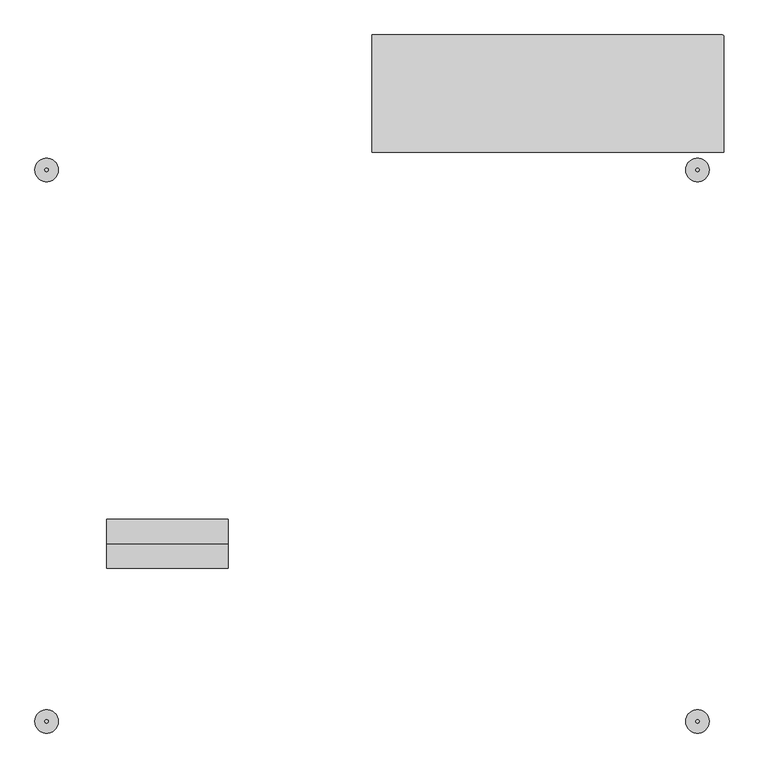
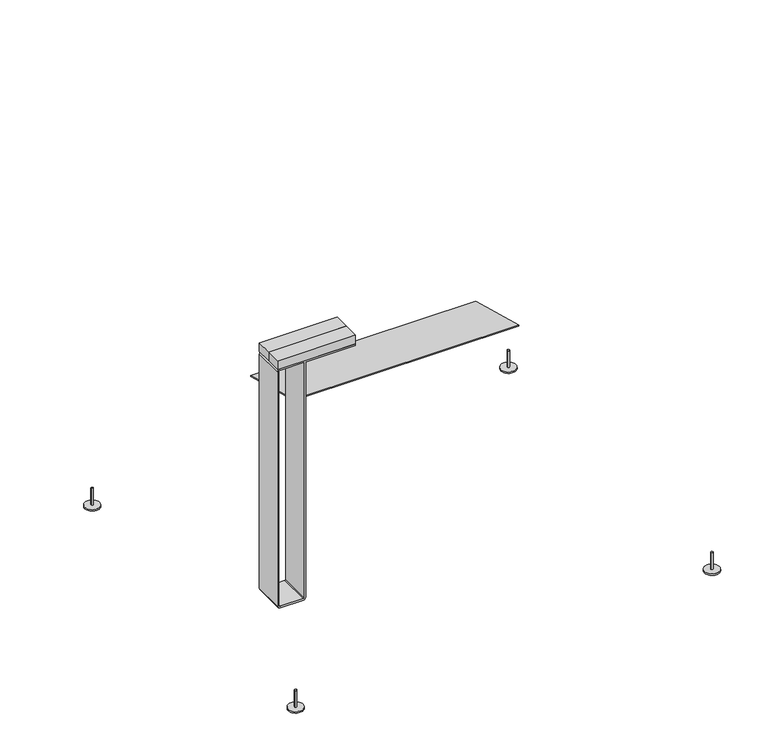
"""IFC4 building model written with IfcOpenShell, lengths in millimetres: furniture geometry."""

from ifc_helpers import new_model, si_unit, point, frame, frame_2d, origin, origin_with_axes, place, context, project, spatial, polyline, circle_curve, ellipse_curve, trimmed, segment, composite_curve, outline, extrude, source, transform, mapped, element, save
from ifc_brep_helpers import plane_surface, cylinder_surface, advanced_brep


def furniture_2bb9ebfe(model_context):
    return source(origin(), model_context, "Body", "SolidModel", [
        advanced_brep(
        [(0.0, 1399.7088957, 69.3357006), (0.0, 1000.0865, 176.4141988), (1199.9999759, 1000.0865, 176.4141988), (1199.9999759, 1394.7088957, 70.6754466), (1194.9999759, 1399.7088957, 69.3357006), (1194.9999759, 1399.7088957, 64.9875407), (1199.9999759, 1394.7088957, 66.3272866), (0.0, 1000.0865, 172.0660389), (0.0, 1399.7088957, 64.9875407), (1199.9999759, 1000.0865, 172.0660389)],
        [
            (0, 1),
            (1, 2),
            (2, 3),
            (3, 4, ellipse_curve(frame((1194.9999759, 1394.7088957, 70.6754466), z_axis=(0.0, 0.25881904510248305, 0.9659258262890784), x_axis=(0.0, 0.9659258262890785, -0.2588190451024831)), 5.1763809, 5.0)),
            (4, 0),
            (5, 4),
            (3, 6),
            (6, 5, ellipse_curve(frame((1194.9999759, 1394.7088957, 66.3272866), z_axis=(0.0, 0.25881904510248305, 0.9659258262890784), x_axis=(0.0, 0.9659258262890785, -0.2588190451024831)), 5.1763809, 5.0)),
            (7, 8),
            (8, 5),
            (6, 9),
            (9, 7),
            (0, 8),
            (7, 1),
            (2, 9),
        ],
        [
            plane_surface(frame((1244.8075008, 1391.9814891, 71.406253), z_axis=(0.0, 0.25881904510248305, 0.9659258262890784), x_axis=(0.0, 0.9659258262890784, -0.25881904510248305))),
            cylinder_surface(frame((1194.9999759, 1394.7088957, 0.0), z_axis=(0.0, 0.0, -1.0), x_axis=(1.0, 0.0, 0.0)), 5.0),
            plane_surface(frame((1244.8075008, 1390.8944491, 67.3493645), z_axis=(0.0, -0.25881904510248305, -0.9659258262890784), x_axis=(0.0, -0.9659258262890784, 0.25881904510248305))),
            plane_surface(frame((0.0, 1441.6519121, 58.0971032), z_axis=(-1.0000000000000002, 0.0, 0.0), x_axis=(0.0, -0.2588190451024805, -0.9659258262890792))),
            plane_surface(frame((-1194.9998, 1399.7088957, 250.0), z_axis=(0.0, 1.0, 0.0), x_axis=(0.0, 0.0, -1.0))),
            plane_surface(frame((1199.9999759, 1394.7088957, 250.0), z_axis=(1.0, 0.0, 0.0), x_axis=(0.0, 0.0, -1.0))),
            plane_surface(frame((1199.9999759, 1000.0865, 250.0), z_axis=(0.0, -1.0, 0.0), x_axis=(0.0, 0.0, -1.0))),
        ],
        [
            (0, [[1, 2, 3, 4, 5]]),
            (1, [[6, -4, 7, 8]]),
            (2, [[9, 10, -8, 11, 12]]),
            (3, [[-1, 13, -9, 14]]),
            (4, [[-6, -10, -13, -5]]),
            (5, [[-7, -3, 15, -11]]),
            (6, [[-15, -2, -14, -12]]),
        ],
    ),
        extrude(outline(composite_curve([segment(trimmed(circle_curve(frame_2d((1109.9882666, 939.9870149)), 40.0), [point((1149.9882666, 939.9870149))], [point((1069.9882666, 939.9870149))], False, "CARTESIAN"), True, "CONTINUOUS"), segment(trimmed(circle_curve(frame_2d((1109.9882666, 939.9870149)), 40.0), [point((1069.9882666, 939.9870149))], [point((1149.9882666, 939.9870149))], False, "CARTESIAN"), True, "CONTINUOUS")], self_intersect=False)), origin_with_axes(), (0.0, 0.0, 1.0), 8.0),
        extrude(outline(composite_curve([segment(trimmed(circle_curve(frame_2d((1109.9882666, 939.9870149)), 5.8385242), [point((1115.8267908, 939.9870149))], [point((1104.1497425, 939.9870149))], False, "CARTESIAN"), True, "CONTINUOUS"), segment(trimmed(circle_curve(frame_2d((1109.9882666, 939.9870149)), 5.8385242), [point((1104.1497425, 939.9870149))], [point((1115.8267908, 939.9870149))], False, "CARTESIAN"), True, "CONTINUOUS")], self_intersect=False)), frame((0.0, 0.0, 8.0), z_axis=(0.0, 0.0, 1.0), x_axis=(1.0, 0.0, 0.0)), (0.0, 0.0, 1.0), 95.0),
        extrude(outline(composite_curve([segment(trimmed(circle_curve(frame_2d((1109.9882666, -939.9870149)), 40.0), [point((1149.9882666, -939.9870149))], [point((1069.9882666, -939.9870149))], False, "CARTESIAN"), True, "CONTINUOUS"), segment(trimmed(circle_curve(frame_2d((1109.9882666, -939.9870149)), 40.0), [point((1069.9882666, -939.9870149))], [point((1149.9882666, -939.9870149))], False, "CARTESIAN"), True, "CONTINUOUS")], self_intersect=False)), origin_with_axes(), (0.0, 0.0, 1.0), 8.0),
        extrude(outline(composite_curve([segment(trimmed(circle_curve(frame_2d((1109.9882666, -939.9870149)), 5.8385242), [point((1115.8267908, -939.9870149))], [point((1104.1497425, -939.9870149))], False, "CARTESIAN"), True, "CONTINUOUS"), segment(trimmed(circle_curve(frame_2d((1109.9882666, -939.9870149)), 5.8385242), [point((1104.1497425, -939.9870149))], [point((1115.8267908, -939.9870149))], False, "CARTESIAN"), True, "CONTINUOUS")], self_intersect=False)), frame((0.0, 0.0, 8.0), z_axis=(0.0, 0.0, 1.0), x_axis=(1.0, 0.0, 0.0)), (0.0, 0.0, 1.0), 95.0),
        extrude(outline(composite_curve([segment(trimmed(circle_curve(frame_2d((-1109.9882666, 939.9870149)), 40.0), [point((-1149.9882666, 939.9870149))], [point((-1069.9882666, 939.9870149))], False, "CARTESIAN"), True, "CONTINUOUS"), segment(trimmed(circle_curve(frame_2d((-1109.9882666, 939.9870149)), 40.0), [point((-1069.9882666, 939.9870149))], [point((-1149.9882666, 939.9870149))], False, "CARTESIAN"), True, "CONTINUOUS")], self_intersect=False)), origin_with_axes(), (0.0, 0.0, 1.0), 8.0),
        extrude(outline(composite_curve([segment(trimmed(circle_curve(frame_2d((-1109.9882666, 939.9870149)), 5.8385242), [point((-1115.8267908, 939.9870149))], [point((-1104.1497425, 939.9870149))], False, "CARTESIAN"), True, "CONTINUOUS"), segment(trimmed(circle_curve(frame_2d((-1109.9882666, 939.9870149)), 5.8385242), [point((-1104.1497425, 939.9870149))], [point((-1115.8267908, 939.9870149))], False, "CARTESIAN"), True, "CONTINUOUS")], self_intersect=False)), frame((0.0, 0.0, 8.0), z_axis=(0.0, 0.0, 1.0), x_axis=(1.0, 0.0, 0.0)), (0.0, 0.0, 1.0), 95.0),
        extrude(outline(composite_curve([segment(trimmed(circle_curve(frame_2d((-1109.9882666, -939.9870149)), 40.0), [point((-1149.9882666, -939.9870149))], [point((-1069.9882666, -939.9870149))], False, "CARTESIAN"), True, "CONTINUOUS"), segment(trimmed(circle_curve(frame_2d((-1109.9882666, -939.9870149)), 40.0), [point((-1069.9882666, -939.9870149))], [point((-1149.9882666, -939.9870149))], False, "CARTESIAN"), True, "CONTINUOUS")], self_intersect=False)), origin_with_axes(), (0.0, 0.0, 1.0), 8.0),
        extrude(outline(composite_curve([segment(trimmed(circle_curve(frame_2d((-1109.9882666, -939.9870149)), 5.8385242), [point((-1115.8267908, -939.9870149))], [point((-1104.1497425, -939.9870149))], False, "CARTESIAN"), True, "CONTINUOUS"), segment(trimmed(circle_curve(frame_2d((-1109.9882666, -939.9870149)), 5.8385242), [point((-1104.1497425, -939.9870149))], [point((-1115.8267908, -939.9870149))], False, "CARTESIAN"), True, "CONTINUOUS")], self_intersect=False)), frame((0.0, 0.0, 8.0), z_axis=(0.0, 0.0, 1.0), x_axis=(1.0, 0.0, 0.0)), (0.0, 0.0, 1.0), 95.0),
        extrude(outline(polyline([(-904.9991604, -334.1570883), (-904.9991604, -250.5718505), (-490.9991604, -250.5718505), (-490.9991604, -334.1570883), (-904.9991604, -334.1570883)])), frame((0.0, 0.0, 1522.8633187), z_axis=(0.0, 0.0, 1.0), x_axis=(1.0, 0.0, 0.0)), (0.0, 0.0, 1.0), 49.0),
        extrude(outline(polyline([(-904.9991604, -417.649291), (-904.9991604, -334.1570883), (-490.9991604, -334.1570883), (-490.9991604, -417.649291), (-904.9991604, -417.649291)])), frame((0.0, 0.0, 1522.8633187), z_axis=(0.0, 0.0, 1.0), x_axis=(1.0, 0.0, 0.0)), (0.0, 0.0, 1.0), 49.0),
        extrude(outline(composite_curve([segment(polyline([(186.8633187, -754.9991604), (1512.8633187, -754.9991604), (1512.8633187, -490.9991604), (1522.8633187, -490.9991604), (1522.8633187, -890.9991604)]), True, "CONTINUOUS"), segment(trimmed(circle_curve(frame_2d((1508.8633187, -890.9991604)), 14.0), [point((1522.8633187, -890.9991604))], [point((1508.8633187, -904.9991604))], False, "CARTESIAN"), True, "CONTINUOUS"), segment(polyline([(1508.8633187, -904.9991604), (186.8633187, -904.9991604)]), True, "CONTINUOUS"), segment(trimmed(circle_curve(frame_2d((186.8633187, -890.9991604)), 14.0), [point((186.8633187, -904.9991604))], [point((172.8633187, -890.9991604))], False, "CARTESIAN"), True, "CONTINUOUS"), segment(polyline([(172.8633187, -890.9991604), (172.8633187, -768.9991604)]), True, "CONTINUOUS"), segment(trimmed(circle_curve(frame_2d((186.8633187, -768.9991604)), 14.0), [point((172.8633187, -768.9991604))], [point((186.8633187, -754.9991604))], False, "CARTESIAN"), True, "CONTINUOUS")], self_intersect=False), holes=[composite_curve([segment(trimmed(circle_curve(frame_2d((1508.8633187, -890.9991604)), 4.0), [point((1508.8633187, -894.9991604))], [point((1512.8633187, -890.9991604))], True, "CARTESIAN"), True, "CONTINUOUS"), segment(polyline([(1512.8633187, -890.9991604), (1512.8633187, -764.9991604), (186.8633187, -764.9991604)]), True, "CONTINUOUS"), segment(trimmed(circle_curve(frame_2d((186.8633187, -768.9991604)), 4.0), [point((186.8633187, -764.9991604))], [point((182.8633187, -768.9991604))], True, "CARTESIAN"), True, "CONTINUOUS"), segment(polyline([(182.8633187, -768.9991604), (182.8633187, -890.9991604)]), True, "CONTINUOUS"), segment(trimmed(circle_curve(frame_2d((186.8633187, -890.9991604)), 4.0), [point((182.8633187, -890.9991604))], [point((186.8633187, -894.9991604))], True, "CARTESIAN"), True, "CONTINUOUS"), segment(polyline([(186.8633187, -894.9991604), (1508.8633187, -894.9991604)]), True, "CONTINUOUS")], self_intersect=False)]), frame((0.0, -417.649291, 0.0), z_axis=(0.0, 1.0, 0.0), x_axis=(0.0, 0.0, 1.0)), (0.0, 0.0, 1.0), 167.0774405),
    ])


if __name__ == "__main__":
    model = new_model("IFC4")
    model_context = context("Model", 3, world=origin())
    ifc_project = project(units=[si_unit("LENGTHUNIT", "METRE", prefix="MILLI")], contexts=[model_context])
    site = spatial("IfcSite", under=ifc_project)
    building = spatial("IfcBuilding", under=site)
    placement = place(None, origin())
    furniture_shape = furniture_2bb9ebfe(model_context)
    element("IfcFurniture", 1, at=placement, inside=building, context=model_context, shape_type="MappedRepresentation", body=[
        mapped(furniture_shape, transform((0.0, 0.0, 0.0), x_axis=(1.0, 0.0, 0.0), y_axis=(0.0, 1.0, 0.0), z_axis=(0.0, 0.0, 1.0))),
    ])
    save(model, "model.ifc")
